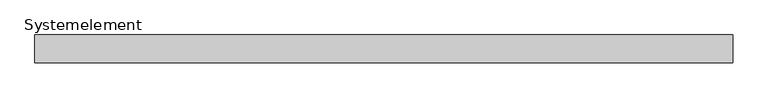
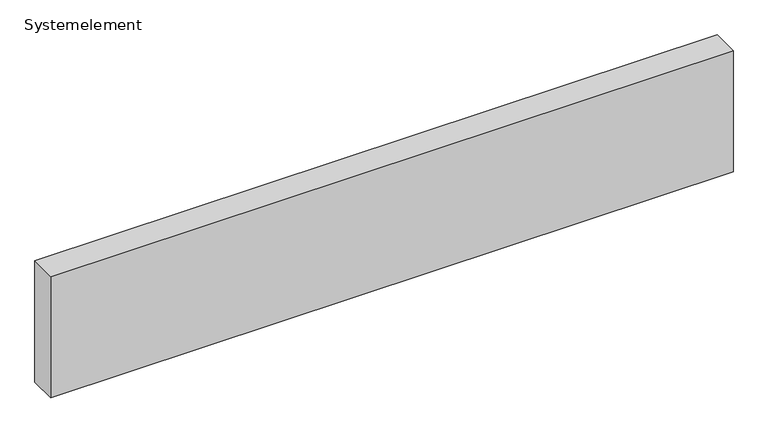
"""IFC4 building model written with IfcOpenShell, lengths in millimetres: plate geometry, Systemelement."""

from ifc_helpers import new_model, si_unit, origin, origin_with_axes, place, context, project, spatial, polyline, outline, extrude, source, transform, mapped, element, save


def systemelement_fab1eb1f(model_context):
    return source(origin(), model_context, "Body", "SweptSolid", [
        extrude(outline(polyline([(2000.0, -160.0), (-2000.0, -160.0), (-2000.0, 0.0), (2000.0, 0.0), (2000.0, -160.0)])), origin_with_axes(), (0.0, 0.0, 1.0), 751.6147161),
    ])


if __name__ == "__main__":
    model = new_model("IFC4")
    model_context = context("Model", 3, world=origin())
    ifc_project = project(units=[si_unit("LENGTHUNIT", "METRE", prefix="MILLI")], contexts=[model_context])
    site = spatial("IfcSite", under=ifc_project)
    building = spatial("IfcBuilding", under=site)
    placement = place(None, origin())
    systemelement_shape = systemelement_fab1eb1f(model_context)
    element("IfcPlate", 1, ObjectType="Systemelement", at=placement, inside=building, context=model_context, shape_type="MappedRepresentation", body=[
        mapped(systemelement_shape, transform((0.0, 0.0, 0.0), x_axis=(1.0, 0.0, 0.0), y_axis=(0.0, 1.0, 0.0), z_axis=(0.0, 0.0, 1.0))),
    ])
    save(model, "model.ifc")
